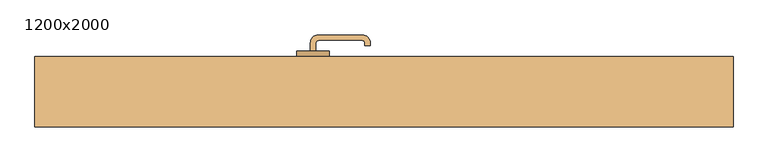
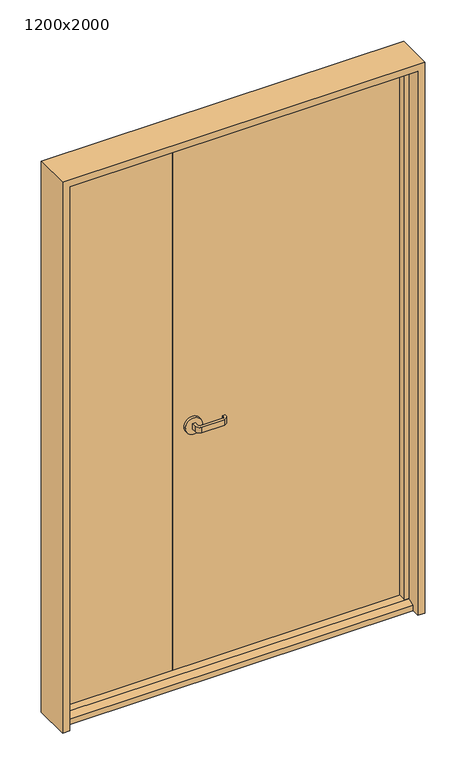
"""IFC4 building model written with IfcOpenShell, lengths in millimetres: door geometry, 1200x2000."""

from ifc_helpers import new_model, si_unit, point, frame, frame_2d, origin, place, context, project, spatial, polyline, circle_curve, trimmed, segment, composite_curve, outline, extrude, faceted_brep, source, transform, mapped, element, save


def door_1200x2000_01c6605f(model_context):
    return source(origin(), model_context, "Body", "SolidModel", [
        extrude(outline(polyline([(-610.0, 24.5), (-610.0, 64.5), (-200.0, 64.5), (-200.0, 24.5), (-610.0, 24.5)])), frame((0.0, 0.0, 10.0), z_axis=(0.0, 0.0, 1.0), x_axis=(1.0, 0.0, 0.0)), (0.0, 0.0, 1.0), 2000.0),
        extrude(outline(composite_curve([segment(polyline([(-125.0, 74.5), (-135.0, 74.5), (-135.0, 89.5)]), True, "CONTINUOUS"), segment(trimmed(circle_curve(frame_2d((-120.0, 89.5)), 15.0), [point((-135.0, 89.5))], [point((-120.0, 104.5))], False, "CARTESIAN"), True, "CONTINUOUS"), segment(polyline([(-120.0, 104.5), (-40.0, 104.5)]), True, "CONTINUOUS"), segment(trimmed(circle_curve(frame_2d((-40.0, 89.5)), 15.0), [point((-40.0, 104.5))], [point((-25.0, 89.5))], False, "CARTESIAN"), True, "CONTINUOUS"), segment(polyline([(-25.0, 89.5), (-25.0, 84.5), (-35.0, 84.5), (-35.0, 89.5)]), True, "CONTINUOUS"), segment(trimmed(circle_curve(frame_2d((-40.0, 89.5)), 5.0), [point((-35.0, 89.5))], [point((-40.0, 94.5))], True, "CARTESIAN"), True, "CONTINUOUS"), segment(polyline([(-40.0, 94.5), (-120.0, 94.5)]), True, "CONTINUOUS"), segment(trimmed(circle_curve(frame_2d((-120.0, 89.5)), 5.0), [point((-120.0, 94.5))], [point((-125.0, 89.5))], True, "CARTESIAN"), True, "CONTINUOUS"), segment(polyline([(-125.0, 89.5), (-125.0, 74.5)]), True, "CONTINUOUS")], self_intersect=False)), frame((0.0, 0.0, 895.0), z_axis=(0.0, 0.0, 1.0), x_axis=(1.0, 0.0, 0.0)), (0.0, 0.0, 1.0), 20.0),
        extrude(outline(composite_curve([segment(trimmed(circle_curve(frame_2d((905.0, -130.0)), 30.0), [point((905.0, -160.0))], [point((905.0, -100.0))], False, "CARTESIAN"), True, "CONTINUOUS"), segment(trimmed(circle_curve(frame_2d((905.0, -130.0)), 30.0), [point((905.0, -100.0))], [point((905.0, -160.0))], False, "CARTESIAN"), True, "CONTINUOUS")], self_intersect=False)), frame((0.0, 64.5, 0.0), z_axis=(0.0, 1.0, 0.0), x_axis=(0.0, 0.0, 1.0)), (0.0, 0.0, 1.0), 10.0),
        extrude(outline(composite_curve([segment(polyline([(-135.0, 14.5), (-125.0, 14.5), (-125.0, -0.5)]), True, "CONTINUOUS"), segment(trimmed(circle_curve(frame_2d((-120.0, -0.5)), 5.0), [point((-125.0, -0.5))], [point((-120.0, -5.5))], True, "CARTESIAN"), True, "CONTINUOUS"), segment(polyline([(-120.0, -5.5), (-40.0, -5.5)]), True, "CONTINUOUS"), segment(trimmed(circle_curve(frame_2d((-40.0, -0.5)), 5.0), [point((-40.0, -5.5))], [point((-35.0, -0.5))], True, "CARTESIAN"), True, "CONTINUOUS"), segment(polyline([(-35.0, -0.5), (-35.0, 4.5), (-25.0, 4.5), (-25.0, -0.5)]), True, "CONTINUOUS"), segment(trimmed(circle_curve(frame_2d((-40.0, -0.5)), 15.0), [point((-25.0, -0.5))], [point((-40.0, -15.5))], False, "CARTESIAN"), True, "CONTINUOUS"), segment(polyline([(-40.0, -15.5), (-120.0, -15.5)]), True, "CONTINUOUS"), segment(trimmed(circle_curve(frame_2d((-120.0, -0.5)), 15.0), [point((-120.0, -15.5))], [point((-135.0, -0.5))], False, "CARTESIAN"), True, "CONTINUOUS"), segment(polyline([(-135.0, -0.5), (-135.0, 14.5)]), True, "CONTINUOUS")], self_intersect=False)), frame((0.0, 0.0, 895.0), z_axis=(0.0, 0.0, 1.0), x_axis=(1.0, 0.0, 0.0)), (0.0, 0.0, 1.0), 20.0),
        extrude(outline(composite_curve([segment(trimmed(circle_curve(frame_2d((905.0, -130.0)), 30.0), [point((905.0, -160.0))], [point((905.0, -100.0))], False, "CARTESIAN"), True, "CONTINUOUS"), segment(trimmed(circle_curve(frame_2d((905.0, -130.0)), 30.0), [point((905.0, -100.0))], [point((905.0, -160.0))], False, "CARTESIAN"), True, "CONTINUOUS")], self_intersect=False)), frame((0.0, 14.5, 0.0), z_axis=(0.0, 1.0, 0.0), x_axis=(0.0, 0.0, 1.0)), (0.0, 0.0, 1.0), 10.0),
        extrude(outline(polyline([(610.0, 24.5), (-200.0, 24.5), (-200.0, 64.5), (610.0, 64.5), (610.0, 24.5)])), frame((0.0, 0.0, 10.0), z_axis=(0.0, 0.0, 1.0), x_axis=(1.0, 0.0, 0.0)), (0.0, 0.0, 1.0), 2000.0),
        extrude(outline(polyline([(64.5, 5.0), (64.5, -15.0), (-35.5, -15.0), (-35.5, 5.0), (-10.5, 15.0), (19.5, 15.0), (19.5, 5.0), (64.5, 5.0)])), frame((-615.0, 0.0, 0.0), z_axis=(1.0, 0.0, 0.0), x_axis=(0.0, 1.0, 0.0)), (0.0, 0.0, 1.0), 1230.0),
        faceted_brep([(-615.0, 64.5, -15.0), (-615.0, 19.5, -15.0), (-600.0, 19.5, -15.0), (-600.0, -10.5, -15.0), (-615.0, -10.5, -15.0), (-615.0, -64.5, -15.0), (-640.0, -64.5, -15.0), (-640.0, 64.5, -15.0), (-615.0, 64.5, 2015.0), (-615.0, 19.5, 2015.0), (615.0, 19.5, 2015.0), (615.0, 19.5, -15.0), (600.0, 19.5, -15.0), (600.0, 19.5, 2000.0), (-600.0, 19.5, 2000.0), (-600.0, -10.5, 2000.0), (600.0, -10.5, 2000.0), (600.0, -10.5, -15.0), (615.0, -10.5, -15.0), (615.0, -10.5, 2015.0), (-615.0, -10.5, 2015.0), (-615.0, -64.5, 2015.0), (615.0, -64.5, 2015.0), (615.0, -64.5, -15.0), (640.0, -64.5, -15.0), (640.0, -64.5, 2040.0), (-640.0, -64.5, 2040.0), (-640.0, 64.5, 2040.0), (640.0, 64.5, 2040.0), (640.0, 64.5, -15.0), (615.0, 64.5, -15.0), (615.0, 64.5, 2015.0)], [[[0, 1, 2, 3, 4, 5, 6, 7]], [[1, 0, 8, 9]], [[2, 1, 9, 10, 11, 12, 13, 14]], [[3, 2, 14, 15]], [[4, 3, 15, 16, 17, 18, 19, 20]], [[5, 4, 20, 21]], [[6, 5, 21, 22, 23, 24, 25, 26]], [[7, 6, 26, 27]], [[0, 7, 27, 28, 29, 30, 31, 8]], [[9, 8, 31, 10]], [[15, 14, 13, 16]], [[21, 20, 19, 22]], [[27, 26, 25, 28]], [[30, 29, 24, 23, 18, 17, 12, 11]], [[10, 31, 30, 11]], [[16, 13, 12, 17]], [[22, 19, 18, 23]], [[28, 25, 24, 29]]]),
    ])


if __name__ == "__main__":
    model = new_model("IFC4")
    model_context = context("Model", 3, world=origin())
    ifc_project = project(units=[si_unit("LENGTHUNIT", "METRE", prefix="MILLI")], contexts=[model_context])
    site = spatial("IfcSite", under=ifc_project)
    building = spatial("IfcBuilding", under=site)
    placement = place(None, origin())
    door_1200x2000_shape = door_1200x2000_01c6605f(model_context)
    element("IfcDoor", 1, ObjectType="1200x2000", at=placement, inside=building, context=model_context, shape_type="MappedRepresentation", body=[
        mapped(door_1200x2000_shape, transform((0.0, 0.0, 0.0), x_axis=(1.0, 0.0, 0.0), y_axis=(0.0, 1.0, 0.0), z_axis=(0.0, 0.0, 1.0))),
    ])
    save(model, "model.ifc")
